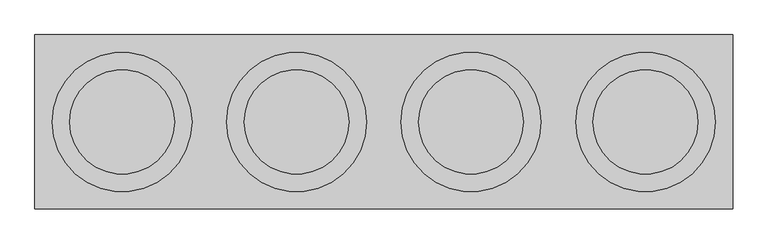
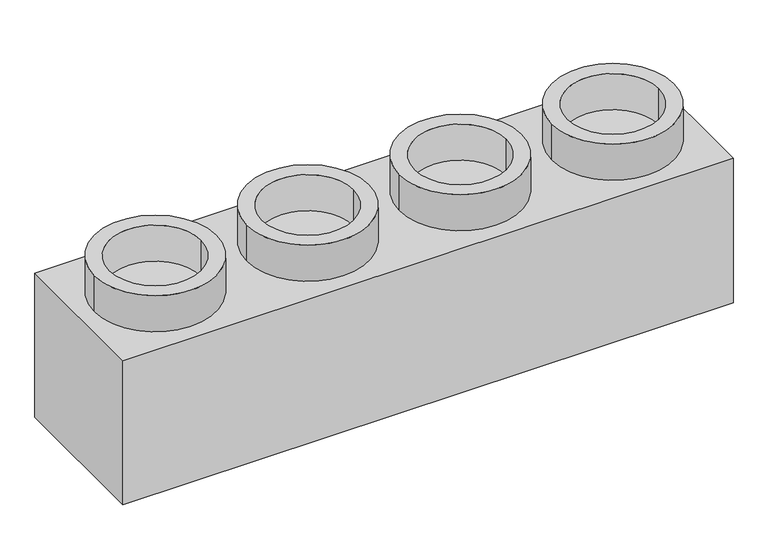
"""IFC4 building model written with IfcOpenShell, lengths in millimetres: proxy geometry."""

from ifc_helpers import new_model, si_unit, point, frame, frame_2d, origin, origin_with_axes, place, context, project, spatial, polyline, circle_curve, trimmed, segment, composite_curve, outline, extrude, source, transform, mapped, element, save


def generic_models_612f55e6(model_context):
    return source(origin(), model_context, "Body", "SweptSolid", [
        extrude(outline(polyline([(44000.0, 90000.0), (40000.0, 90000.0), (40000.0, 91000.0), (44000.0, 91000.0), (44000.0, 90000.0)])), origin_with_axes(), (0.0, 0.0, 1.0), 1000.0),
        extrude(outline(composite_curve([segment(trimmed(circle_curve(frame_2d((43500.0, 90500.0)), 400.0), [point((43100.0, 90500.0))], [point((43900.0, 90500.0))], False, "CARTESIAN"), True, "CONTINUOUS"), segment(trimmed(circle_curve(frame_2d((43500.0, 90500.0)), 400.0), [point((43900.0, 90500.0))], [point((43100.0, 90500.0))], False, "CARTESIAN"), True, "CONTINUOUS")], self_intersect=False), holes=[composite_curve([segment(trimmed(circle_curve(frame_2d((43500.0, 90500.0)), 300.0), [point((43200.0, 90500.0))], [point((43800.0, 90500.0))], True, "CARTESIAN"), True, "CONTINUOUS"), segment(trimmed(circle_curve(frame_2d((43500.0, 90500.0)), 300.0), [point((43800.0, 90500.0))], [point((43200.0, 90500.0))], True, "CARTESIAN"), True, "CONTINUOUS")], self_intersect=False)]), frame((0.0, 0.0, 1000.0), z_axis=(0.0, 0.0, 1.0), x_axis=(1.0, 0.0, 0.0)), (0.0, 0.0, 1.0), 250.0),
        extrude(outline(composite_curve([segment(trimmed(circle_curve(frame_2d((42500.0, 90500.0)), 400.0), [point((42100.0, 90500.0))], [point((42900.0, 90500.0))], False, "CARTESIAN"), True, "CONTINUOUS"), segment(trimmed(circle_curve(frame_2d((42500.0, 90500.0)), 400.0), [point((42900.0, 90500.0))], [point((42100.0, 90500.0))], False, "CARTESIAN"), True, "CONTINUOUS")], self_intersect=False), holes=[composite_curve([segment(trimmed(circle_curve(frame_2d((42500.0, 90500.0)), 300.0), [point((42200.0, 90500.0))], [point((42800.0, 90500.0))], True, "CARTESIAN"), True, "CONTINUOUS"), segment(trimmed(circle_curve(frame_2d((42500.0, 90500.0)), 300.0), [point((42800.0, 90500.0))], [point((42200.0, 90500.0))], True, "CARTESIAN"), True, "CONTINUOUS")], self_intersect=False)]), frame((0.0, 0.0, 1000.0), z_axis=(0.0, 0.0, 1.0), x_axis=(1.0, 0.0, 0.0)), (0.0, 0.0, 1.0), 250.0),
        extrude(outline(composite_curve([segment(trimmed(circle_curve(frame_2d((41500.0, 90500.0)), 400.0), [point((41100.0, 90500.0))], [point((41900.0, 90500.0))], False, "CARTESIAN"), True, "CONTINUOUS"), segment(trimmed(circle_curve(frame_2d((41500.0, 90500.0)), 400.0), [point((41900.0, 90500.0))], [point((41100.0, 90500.0))], False, "CARTESIAN"), True, "CONTINUOUS")], self_intersect=False), holes=[composite_curve([segment(trimmed(circle_curve(frame_2d((41500.0, 90500.0)), 300.0), [point((41200.0, 90500.0))], [point((41800.0, 90500.0))], True, "CARTESIAN"), True, "CONTINUOUS"), segment(trimmed(circle_curve(frame_2d((41500.0, 90500.0)), 300.0), [point((41800.0, 90500.0))], [point((41200.0, 90500.0))], True, "CARTESIAN"), True, "CONTINUOUS")], self_intersect=False)]), frame((0.0, 0.0, 1000.0), z_axis=(0.0, 0.0, 1.0), x_axis=(1.0, 0.0, 0.0)), (0.0, 0.0, 1.0), 250.0),
        extrude(outline(composite_curve([segment(trimmed(circle_curve(frame_2d((40500.0, 90500.0)), 400.0), [point((40100.0, 90500.0))], [point((40900.0, 90500.0))], False, "CARTESIAN"), True, "CONTINUOUS"), segment(trimmed(circle_curve(frame_2d((40500.0, 90500.0)), 400.0), [point((40900.0, 90500.0))], [point((40100.0, 90500.0))], False, "CARTESIAN"), True, "CONTINUOUS")], self_intersect=False), holes=[composite_curve([segment(trimmed(circle_curve(frame_2d((40500.0, 90500.0)), 300.0), [point((40200.0, 90500.0))], [point((40800.0, 90500.0))], True, "CARTESIAN"), True, "CONTINUOUS"), segment(trimmed(circle_curve(frame_2d((40500.0, 90500.0)), 300.0), [point((40800.0, 90500.0))], [point((40200.0, 90500.0))], True, "CARTESIAN"), True, "CONTINUOUS")], self_intersect=False)]), frame((0.0, 0.0, 1000.0), z_axis=(0.0, 0.0, 1.0), x_axis=(1.0, 0.0, 0.0)), (0.0, 0.0, 1.0), 250.0),
    ])


if __name__ == "__main__":
    model = new_model("IFC4")
    model_context = context("Model", 3, world=origin())
    ifc_project = project(units=[si_unit("LENGTHUNIT", "METRE", prefix="MILLI")], contexts=[model_context])
    site = spatial("IfcSite", under=ifc_project)
    building = spatial("IfcBuilding", under=site)
    placement = place(None, origin())
    generic_models_shape = generic_models_612f55e6(model_context)
    element("IfcBuildingElementProxy", 1, Name="Generic Models", at=placement, inside=building, context=model_context, shape_type="MappedRepresentation", body=[
        mapped(generic_models_shape, transform((0.0, 0.0, 0.0), x_axis=(1.0, 0.0, 0.0), y_axis=(0.0, 1.0, 0.0), z_axis=(0.0, 0.0, 1.0))),
    ])
    save(model, "model.ifc")
